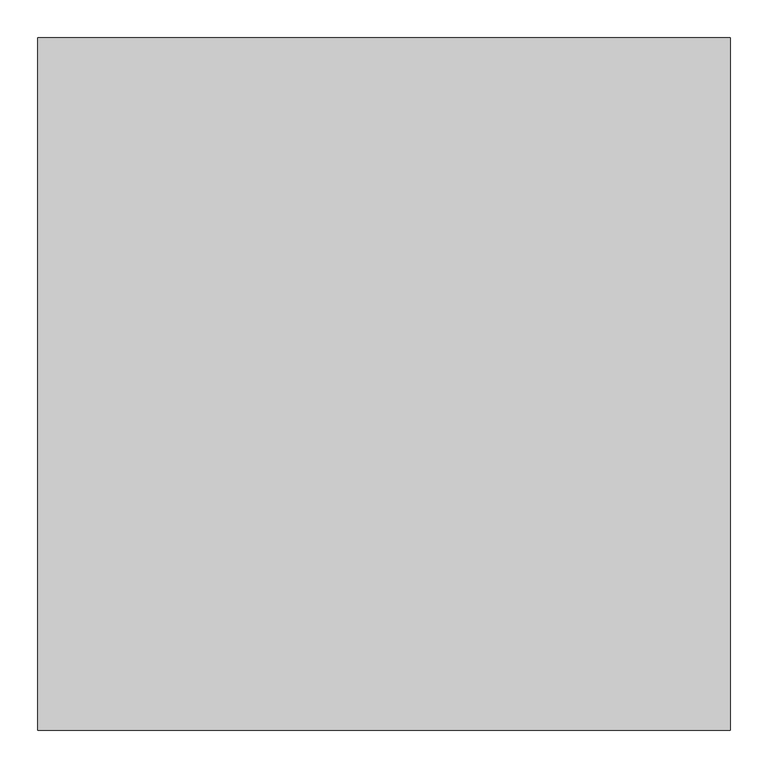
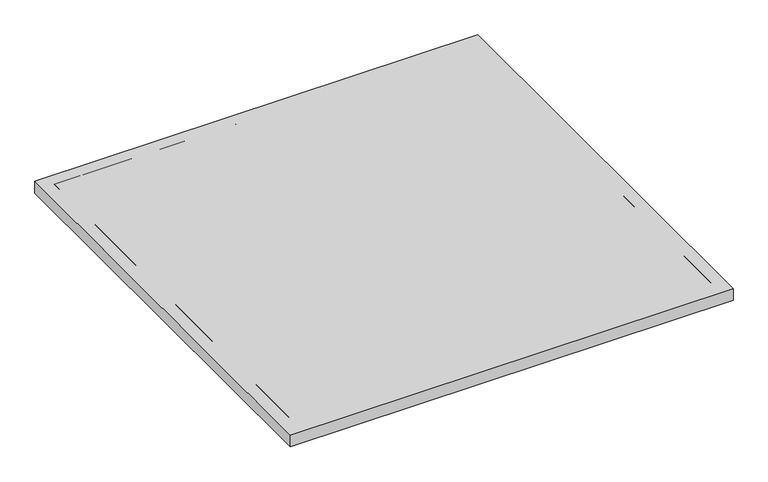
"""IFC4 building model written with IfcOpenShell, lengths in millimetres: proxy geometry."""

from ifc_helpers import new_model, si_unit, frame, origin, origin_with_axes, place, context, project, spatial, polyline, outline, extrude, faceted_brep, source, transform, mapped, element, save


def specialty_equipment_89782f33(model_context):
    return source(origin(), model_context, "Body", "SolidModel", [
        extrude(outline(polyline([(457.2, 914.4), (457.2, 0.0), (-457.2, 0.0), (-457.2, 914.4), (457.2, 914.4)])), origin_with_axes(), (0.0, 0.0, 1.0), 25.4),
        extrude(outline(polyline([(431.8, 889.0), (431.8, 25.4), (-431.8, 25.4), (-431.8, 889.0), (431.8, 889.0)])), frame((0.0, 0.0, 12.7), z_axis=(0.0, 0.0, 1.0), x_axis=(1.0, 0.0, 0.0)), (0.0, 0.0, 1.0), 12.7),
        faceted_brep([(457.2, 914.4, 25.4), (457.2, 914.4, 0.0), (-457.2, 914.4, 0.0), (-457.2, 914.4, 25.4), (457.2, 0.0, 25.4), (-457.2, 0.0, 25.4), (-457.2, 0.0, 0.0), (457.2, 0.0, 0.0), (431.8, 889.0, 25.4), (431.8, 25.4, 25.4), (-431.8, 25.4, 25.4), (-431.8, 889.0, 25.4), (-431.8, 889.0, 12.7), (431.8, 889.0, 12.7), (431.8, 25.4, 12.7), (-431.8, 25.4, 12.7)], [[[0, 1, 2, 3]], [[4, 5, 6, 7]], [[3, 5, 4, 0], [8, 9, 10, 11]], [[2, 6, 5, 3]], [[1, 7, 6, 2]], [[0, 4, 7, 1]], [[8, 11, 12, 13]], [[10, 9, 14, 15]], [[11, 10, 15, 12]], [[12, 15, 14, 13]], [[13, 14, 9, 8]]]),
    ])


if __name__ == "__main__":
    model = new_model("IFC4")
    model_context = context("Model", 3, world=origin())
    ifc_project = project(units=[si_unit("LENGTHUNIT", "METRE", prefix="MILLI")], contexts=[model_context])
    site = spatial("IfcSite", under=ifc_project)
    building = spatial("IfcBuilding", under=site)
    placement = place(None, origin())
    specialty_equipment_shape = specialty_equipment_89782f33(model_context)
    element("IfcBuildingElementProxy", 1, Name="Specialty Equipment", at=placement, inside=building, context=model_context, shape_type="MappedRepresentation", body=[
        mapped(specialty_equipment_shape, transform((0.0, 0.0, 0.0), x_axis=(1.0, 0.0, 0.0), y_axis=(0.0, 1.0, 0.0), z_axis=(0.0, 0.0, 1.0))),
    ])
    save(model, "model.ifc")
